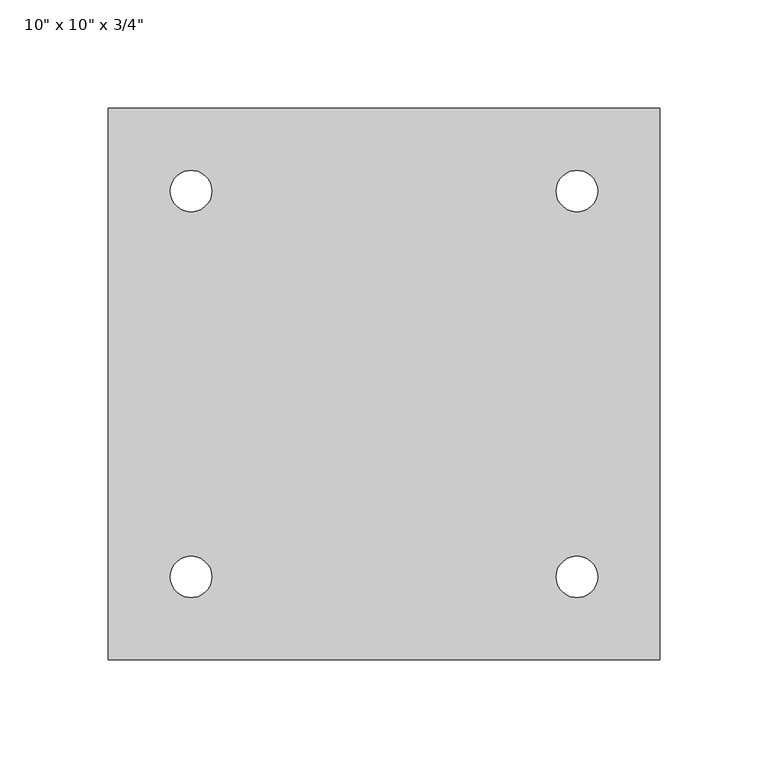
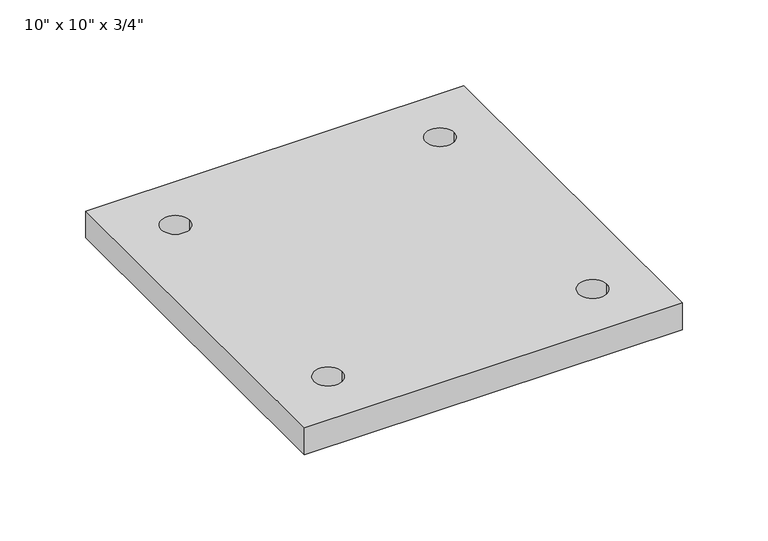
"""IFC4 building model written with IfcOpenShell, lengths in millimetres: proxy geometry."""

from ifc_helpers import new_model, si_unit, point, frame_2d, origin, origin_with_axes, place, context, project, spatial, polyline, circle_curve, trimmed, segment, composite_curve, outline, extrude, source, transform, mapped, element, save


def proxy_c1a1352d(model_context):
    return source(origin(), model_context, "Body", "SweptSolid", [
        extrude(outline(polyline([(127.0, -127.0), (-127.0, -127.0), (-127.0, 127.0), (127.0, 127.0), (127.0, -127.0)]), holes=[composite_curve([segment(trimmed(circle_curve(frame_2d((-88.9, -88.9)), 9.525), [point((-98.425, -88.9))], [point((-79.375, -88.9))], True, "CARTESIAN"), True, "CONTINUOUS"), segment(trimmed(circle_curve(frame_2d((-88.9, -88.9)), 9.525), [point((-79.375, -88.9))], [point((-98.425, -88.9))], True, "CARTESIAN"), True, "CONTINUOUS")], self_intersect=False), composite_curve([segment(trimmed(circle_curve(frame_2d((88.9, -88.9)), 9.525), [point((79.375, -88.9))], [point((98.425, -88.9))], True, "CARTESIAN"), True, "CONTINUOUS"), segment(trimmed(circle_curve(frame_2d((88.9, -88.9)), 9.525), [point((98.425, -88.9))], [point((79.375, -88.9))], True, "CARTESIAN"), True, "CONTINUOUS")], self_intersect=False), composite_curve([segment(trimmed(circle_curve(frame_2d((-88.9, 88.9)), 9.525), [point((-98.425, 88.9))], [point((-79.375, 88.9))], True, "CARTESIAN"), True, "CONTINUOUS"), segment(trimmed(circle_curve(frame_2d((-88.9, 88.9)), 9.525), [point((-79.375, 88.9))], [point((-98.425, 88.9))], True, "CARTESIAN"), True, "CONTINUOUS")], self_intersect=False), composite_curve([segment(trimmed(circle_curve(frame_2d((88.9, 88.9)), 9.525), [point((79.375, 88.9))], [point((98.425, 88.9))], True, "CARTESIAN"), True, "CONTINUOUS"), segment(trimmed(circle_curve(frame_2d((88.9, 88.9)), 9.525), [point((98.425, 88.9))], [point((79.375, 88.9))], True, "CARTESIAN"), True, "CONTINUOUS")], self_intersect=False)]), origin_with_axes(), (0.0, 0.0, 1.0), 19.05),
    ])


if __name__ == "__main__":
    model = new_model("IFC4")
    model_context = context("Model", 3, world=origin())
    ifc_project = project(units=[si_unit("LENGTHUNIT", "METRE", prefix="MILLI")], contexts=[model_context])
    site = spatial("IfcSite", under=ifc_project)
    building = spatial("IfcBuilding", under=site)
    placement = place(None, origin())
    proxy_shape = proxy_c1a1352d(model_context)
    element("IfcBuildingElementProxy", 1, Name="10\" x 10\" x 3/4\"", ObjectType="10\" x 10\" x 3/4\"", at=placement, inside=building, context=model_context, shape_type="MappedRepresentation", body=[
        mapped(proxy_shape, transform((0.0, 0.0, 0.0), x_axis=(1.0, 0.0, 0.0), y_axis=(0.0, 1.0, 0.0), z_axis=(0.0, 0.0, 1.0))),
    ])
    save(model, "model.ifc")
